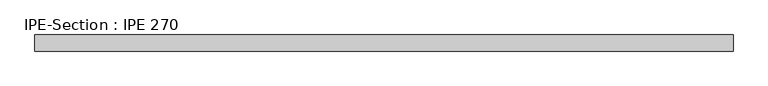
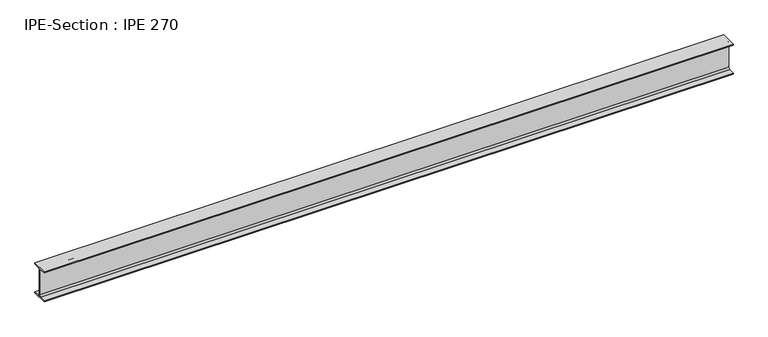
"""IFC4 building model written with IfcOpenShell, lengths in millimetres: beam geometry, IPE-Section : IPE 270."""

from ifc_helpers import new_model, si_unit, point, frame, frame_2d, origin, place, context, project, spatial, polyline, circle_curve, trimmed, segment, composite_curve, outline, extrude, source, transform, mapped, element, save


def ipe_section_ipe_270_289f6aa2(model_context):
    return source(origin(), model_context, "Body", "SweptSolid", [
        extrude(outline(composite_curve([segment(polyline([(-67.5, -124.8), (-18.3, -124.8)]), True, "CONTINUOUS"), segment(trimmed(circle_curve(frame_2d((-18.3, -109.8)), 15.0), [point((-18.3, -124.8))], [point((-3.3, -109.8))], True, "CARTESIAN"), True, "CONTINUOUS"), segment(polyline([(-3.3, -109.8), (-3.3, 109.8)]), True, "CONTINUOUS"), segment(trimmed(circle_curve(frame_2d((-18.3, 109.8)), 15.0), [point((-3.3, 109.8))], [point((-18.3, 124.8))], True, "CARTESIAN"), True, "CONTINUOUS"), segment(polyline([(-18.3, 124.8), (-67.5, 124.8), (-67.5, 135.0), (67.5, 135.0), (67.5, 124.8), (18.3, 124.8)]), True, "CONTINUOUS"), segment(trimmed(circle_curve(frame_2d((18.3, 109.8)), 15.0), [point((18.3, 124.8))], [point((3.3, 109.8))], True, "CARTESIAN"), True, "CONTINUOUS"), segment(polyline([(3.3, 109.8), (3.3, -109.8)]), True, "CONTINUOUS"), segment(trimmed(circle_curve(frame_2d((18.3, -109.8)), 15.0), [point((3.3, -109.8))], [point((18.3, -124.8))], True, "CARTESIAN"), True, "CONTINUOUS"), segment(polyline([(18.3, -124.8), (67.5, -124.8), (67.5, -135.0), (-67.5, -135.0), (-67.5, -124.8)]), True, "CONTINUOUS")], self_intersect=False)), frame((-2909.4681778, 0.0, 0.0), z_axis=(1.0, 0.0, 0.0), x_axis=(0.0, 1.0, 0.0)), (0.0, 0.0, 1.0), 5840.6547224),
    ])


if __name__ == "__main__":
    model = new_model("IFC4")
    model_context = context("Model", 3, world=origin())
    ifc_project = project(units=[si_unit("LENGTHUNIT", "METRE", prefix="MILLI")], contexts=[model_context])
    site = spatial("IfcSite", under=ifc_project)
    building = spatial("IfcBuilding", under=site)
    placement = place(None, origin())
    ipe_section_ipe_270_shape = ipe_section_ipe_270_289f6aa2(model_context)
    element("IfcBeam", 1, ObjectType="IPE-Section : IPE 270", at=placement, inside=building, context=model_context, shape_type="MappedRepresentation", body=[
        mapped(ipe_section_ipe_270_shape, transform((0.0, 0.0, 0.0), x_axis=(1.0, 0.0, 0.0), y_axis=(0.0, 1.0, 0.0), z_axis=(0.0, 0.0, 1.0))),
    ])
    save(model, "model.ifc")
